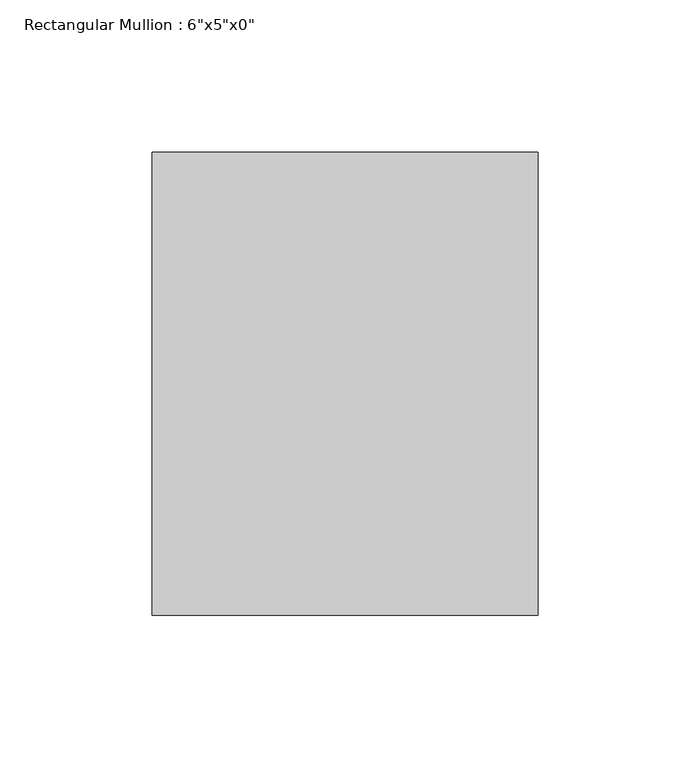
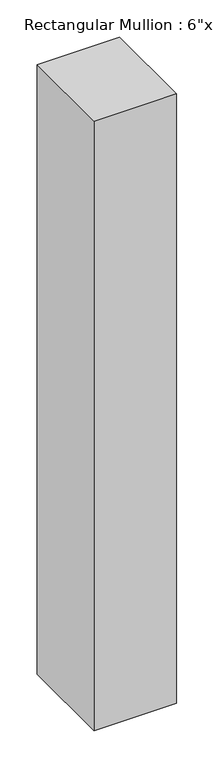
"""IFC4 building model written with IfcOpenShell, lengths in millimetres: member geometry."""

from ifc_helpers import new_model, si_unit, frame, origin, place, context, project, spatial, polyline, outline, extrude, source, transform, mapped, element, save


def member_137fde04(model_context):
    return source(origin(), model_context, "Body", "SweptSolid", [
        extrude(outline(polyline([(0.0, 76.2), (0.0, -76.2), (-127.0, -76.2), (-127.0, 76.2), (0.0, 76.2)])), frame((0.0, 0.0, -994.8333333), z_axis=(0.0, 0.0, 1.0), x_axis=(1.0, 0.0, 0.0)), (0.0, 0.0, 1.0), 994.8333333),
    ])


if __name__ == "__main__":
    model = new_model("IFC4")
    model_context = context("Model", 3, world=origin())
    ifc_project = project(units=[si_unit("LENGTHUNIT", "METRE", prefix="MILLI")], contexts=[model_context])
    site = spatial("IfcSite", under=ifc_project)
    building = spatial("IfcBuilding", under=site)
    placement = place(None, origin())
    member_shape = member_137fde04(model_context)
    element("IfcMember", 1, ObjectType="Rectangular Mullion : 6\"x5\"x0\"", at=placement, inside=building, context=model_context, shape_type="MappedRepresentation", body=[
        mapped(member_shape, transform((0.0, 0.0, 0.0), x_axis=(1.0, 0.0, 0.0), y_axis=(0.0, 1.0, 0.0), z_axis=(0.0, 0.0, 1.0))),
    ])
    save(model, "model.ifc")
